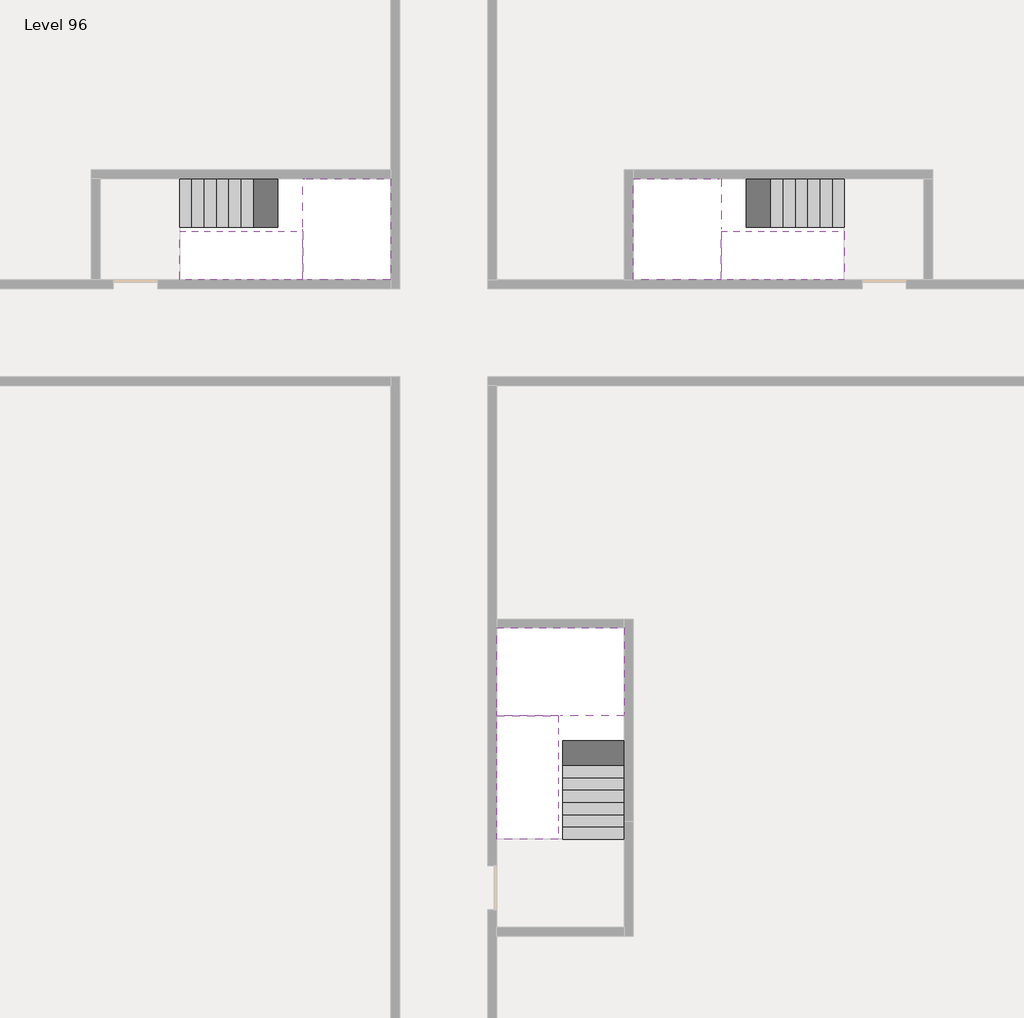
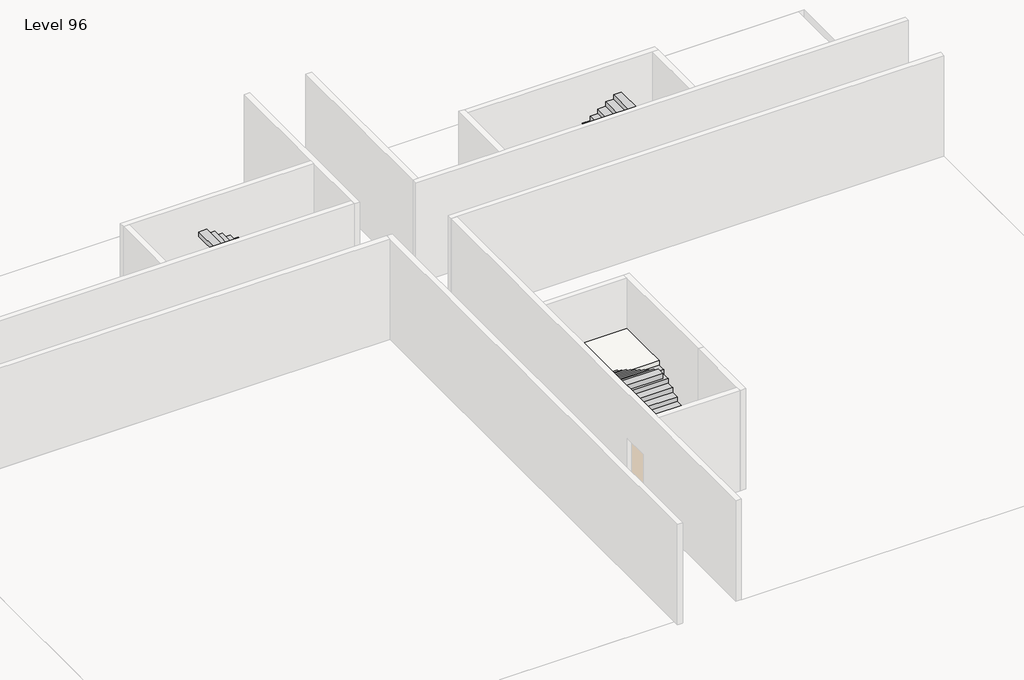
# One storey, part 2 of 2: 6 stair flights, 3 slabs.
"""IFC4 building model written with IfcOpenShell, lengths in millimetres."""

from ifc_helpers import new_model, si_unit, origin, place, context, project, spatial, faceted_brep, element, save

model = new_model("IFC4")

# Units and contexts
model_context = context("Model", 3, world=origin())
ifc_project = project(units=[si_unit("LENGTHUNIT", "METRE", prefix="MILLI")], contexts=[model_context])

# Site, building, storey
site = spatial("IfcSite", under=ifc_project)
building = spatial("IfcBuilding", under=site)
storey = spatial("IfcBuildingStorey", under=building, Name="Level 96", Elevation=361000.0)

# Slabs
placement = place(None, origin())
element("IfcSlab", 1, at=placement, inside=storey, context=model_context, shape_type="Brep", body=[
    faceted_brep([(26890.1058784, -40418.09644, 362900.0), (28290.1058784, -40418.09644, 362900.0), (28290.1058784, -40338.7100038, 362900.0), (28290.1058784, -38418.09644, 362900.0), (25390.1058784, -38418.09644, 362900.0), (25390.1058784, -40217.4828763, 362900.0), (25390.1058784, -40418.09644, 362900.0), (26790.1058784, -40418.09644, 362900.0), (26890.1058784, -40418.09644, 362600.0), (26890.1058784, -40418.09644, 362551.0278478), (28290.1058784, -40418.09644, 362551.0278478), (28290.1058784, -40418.09644, 362727.2727273), (28290.1058784, -40338.7100038, 362600.0), (28290.1058784, -38418.09644, 362600.0), (25390.1058784, -38418.09644, 362600.0), (25390.1058784, -40217.4828763, 362600.0), (25390.1058784, -40418.09644, 362723.7551205), (26790.1058784, -40418.09644, 362723.7551205), (26790.1058784, -40418.09644, 362600.0), (26790.1058784, -40217.4828763, 362600.0), (26890.1058784, -40338.7100038, 362600.0)], [[[0, 1, 2, 3, 4, 5, 6, 7]], [[1, 0, 8, 9, 10, 11]], [[1, 11, 10, 12, 13, 3, 2]], [[4, 3, 13, 14]], [[4, 14, 15, 16, 6, 5]], [[7, 6, 16, 17]], [[0, 7, 17, 18, 8]], [[18, 19, 15, 14, 13, 12, 20, 8]], [[19, 18, 17]], [[20, 12, 10, 9]], [[8, 20, 9]], [[15, 19, 17, 16]]]),
])
element("IfcSlab", 2, at=placement, inside=storey, context=model_context, shape_type="Brep", body=[
    faceted_brep([(20990.1058784, -28218.09644, 362900.0), (20990.1058784, -29318.09644, 362900.0), (20990.1058784, -29418.09644, 362900.0), (20990.1058784, -30518.09644, 362900.0), (21190.7194421, -30518.09644, 362900.0), (22990.1058784, -30518.09644, 362900.0), (22990.1058784, -28218.09644, 362900.0), (21069.4923146, -28218.09644, 362900.0), (20990.1058784, -28218.09644, 362727.2727273), (20990.1058784, -28218.09644, 362551.0278478), (20990.1058784, -29318.09644, 362551.0278478), (20990.1058784, -29318.09644, 362600.0), (20990.1058784, -29418.09644, 362600.0), (20990.1058784, -29418.09644, 362723.7551205), (20990.1058784, -30518.09644, 362723.7551205), (21190.7194421, -30518.09644, 362600.0), (22990.1058784, -30518.09644, 362600.0), (22990.1058784, -28218.09644, 362600.0), (21069.4923146, -28218.09644, 362600.0), (21190.7194421, -29418.09644, 362600.0), (21069.4923146, -29318.09644, 362600.0)], [[[0, 1, 2, 3, 4, 5, 6, 7]], [[1, 0, 8, 9, 10, 11]], [[2, 1, 11, 12, 13]], [[3, 2, 13, 14]], [[3, 14, 15, 16, 5, 4]], [[6, 5, 16, 17]], [[9, 8, 0, 7, 6, 17, 18]], [[19, 12, 11, 20, 18, 17, 16, 15]], [[12, 19, 13]], [[18, 20, 10, 9]], [[20, 11, 10]], [[19, 15, 14, 13]]]),
])
element("IfcSlab", 3, at=placement, inside=storey, context=model_context, shape_type="Brep", body=[
    faceted_brep([(30490.1058784, -29318.09644, 362900.0), (30490.1058784, -28218.09644, 362900.0), (30410.7194421, -28218.09644, 362900.0), (28490.1058784, -28218.09644, 362900.0), (28490.1058784, -30518.09644, 362900.0), (30289.4923146, -30518.09644, 362900.0), (30490.1058784, -30518.09644, 362900.0), (30490.1058784, -29418.09644, 362900.0), (30490.1058784, -29318.09644, 362600.0), (30490.1058784, -29318.09644, 362551.0278478), (30490.1058784, -28218.09644, 362551.0278478), (30490.1058784, -28218.09644, 362727.2727273), (30490.1058784, -29418.09644, 362723.7551205), (30490.1058784, -29418.09644, 362600.0), (30490.1058784, -30518.09644, 362723.7551205), (28490.1058784, -30518.09644, 362600.0), (30289.4923146, -30518.09644, 362600.0), (28490.1058784, -28218.09644, 362600.0), (30410.7194421, -28218.09644, 362600.0), (30289.4923146, -29418.09644, 362600.0), (30410.7194421, -29318.09644, 362600.0)], [[[0, 1, 2, 3, 4, 5, 6, 7]], [[1, 0, 8, 9, 10, 11]], [[0, 7, 12, 13, 8]], [[7, 6, 14, 12]], [[4, 15, 16, 14, 6, 5]], [[4, 3, 17, 15]], [[1, 11, 10, 18, 17, 3, 2]], [[13, 19, 16, 15, 17, 18, 20, 8]], [[20, 18, 10, 9]], [[8, 20, 9]], [[16, 19, 12, 14]], [[19, 13, 12]]]),
])

# Stair flights
element("IfcStairFlight", 4, at=placement, inside=storey, context=model_context, shape_type="Brep", body=[
    faceted_brep([(26890.1058784, -42938.09644, 361172.7272727), (26890.1058784, -43218.09644, 361172.7272727), (28290.1058784, -43218.09644, 361172.7272727), (28290.1058784, -42938.09644, 361172.7272727), (26890.1058784, -42938.09644, 361000.0), (26890.1058784, -43218.09644, 361000.0), (28290.1058784, -43218.09644, 361000.0), (28290.1058784, -42938.09644, 361000.0), (26890.1058784, -42658.09644, 361345.4545455), (26890.1058784, -42938.09644, 361345.4545455), (28290.1058784, -42938.09644, 361345.4545455), (28290.1058784, -42658.09644, 361345.4545455), (26890.1058784, -42658.09644, 361169.209666), (26890.1058784, -42932.3942143, 361000.0), (28290.1058784, -42932.3942143, 361000.0), (28290.1058784, -42658.09644, 361169.209666), (26890.1058784, -42378.09644, 361518.1818182), (26890.1058784, -42658.09644, 361518.1818182), (28290.1058784, -42658.09644, 361518.1818182), (28290.1058784, -42378.09644, 361518.1818182), (26890.1058784, -42378.09644, 361341.9369387), (28290.1058784, -42378.09644, 361341.9369387), (26890.1058784, -42098.09644, 361690.9090909), (26890.1058784, -42378.09644, 361690.9090909), (28290.1058784, -42378.09644, 361690.9090909), (28290.1058784, -42098.09644, 361690.9090909), (26890.1058784, -42098.09644, 361514.6642114), (28290.1058784, -42098.09644, 361514.6642114), (26890.1058784, -41818.09644, 361863.6363636), (26890.1058784, -42098.09644, 361863.6363636), (28290.1058784, -42098.09644, 361863.6363636), (28290.1058784, -41818.09644, 361863.6363636), (26890.1058784, -41818.09644, 361687.3914841), (28290.1058784, -41818.09644, 361687.3914841), (26890.1058784, -41538.09644, 362036.3636364), (26890.1058784, -41818.09644, 362036.3636364), (28290.1058784, -41818.09644, 362036.3636364), (28290.1058784, -41538.09644, 362036.3636364), (26890.1058784, -41538.09644, 361860.1187569), (28290.1058784, -41538.09644, 361860.1187569), (26890.1058784, -41258.09644, 362209.0909091), (26890.1058784, -41538.09644, 362209.0909091), (28290.1058784, -41538.09644, 362209.0909091), (28290.1058784, -41258.09644, 362209.0909091), (26890.1058784, -41258.09644, 362032.8460296), (28290.1058784, -41258.09644, 362032.8460296), (26890.1058784, -40978.09644, 362381.8181818), (26890.1058784, -41258.09644, 362381.8181818), (28290.1058784, -41258.09644, 362381.8181818), (28290.1058784, -40978.09644, 362381.8181818), (26890.1058784, -40978.09644, 362205.5733023), (28290.1058784, -40978.09644, 362205.5733023), (26890.1058784, -40698.09644, 362554.5454545), (26890.1058784, -40978.09644, 362554.5454545), (28290.1058784, -40978.09644, 362554.5454545), (28290.1058784, -40698.09644, 362554.5454545), (26890.1058784, -40698.09644, 362378.3005751), (28290.1058784, -40698.09644, 362378.3005751), (26890.1058784, -40418.09644, 362727.2727273), (26890.1058784, -40698.09644, 362727.2727273), (28290.1058784, -40698.09644, 362727.2727273), (28290.1058784, -40418.09644, 362727.2727273), (26890.1058784, -40418.09644, 362600.0), (26890.1058784, -40418.09644, 362551.0278478), (28290.1058784, -40418.09644, 362551.0278478)], [[[0, 1, 2, 3]], [[1, 0, 4, 5]], [[2, 1, 5, 6]], [[3, 2, 6, 7]], [[8, 9, 10, 11]], [[4, 0, 9, 8, 12, 13]], [[0, 3, 10, 9]], [[3, 7, 14, 15, 11, 10]], [[16, 17, 18, 19]], [[17, 16, 20, 12, 8]], [[8, 11, 18, 17]], [[19, 18, 11, 15, 21]], [[22, 23, 24, 25]], [[23, 22, 26, 20, 16]], [[16, 19, 24, 23]], [[25, 24, 19, 21, 27]], [[28, 29, 30, 31]], [[29, 28, 32, 26, 22]], [[22, 25, 30, 29]], [[31, 30, 25, 27, 33]], [[34, 35, 36, 37]], [[35, 34, 38, 32, 28]], [[28, 31, 36, 35]], [[37, 36, 31, 33, 39]], [[40, 41, 42, 43]], [[41, 40, 44, 38, 34]], [[34, 37, 42, 41]], [[43, 42, 37, 39, 45]], [[46, 47, 48, 49]], [[47, 46, 50, 44, 40]], [[40, 43, 48, 47]], [[49, 48, 43, 45, 51]], [[52, 53, 54, 55]], [[53, 52, 56, 50, 46]], [[46, 49, 54, 53]], [[55, 54, 49, 51, 57]], [[58, 59, 60, 61]], [[59, 58, 62, 63, 56, 52]], [[52, 55, 60, 59]], [[61, 60, 55, 57, 64]], [[58, 61, 64, 63, 62]], [[5, 4, 13, 14, 7, 6]], [[14, 13, 12, 20, 26, 32, 38, 44, 50, 56, 63, 64, 57, 51, 45, 39, 33, 27, 21, 15]]]),
])
element("IfcStairFlight", 5, at=placement, inside=storey, context=model_context, shape_type="Brep", body=[
    faceted_brep([(26790.1058784, -40698.09644, 363072.7272727), (26790.1058784, -40418.09644, 363072.7272727), (25390.1058784, -40418.09644, 363072.7272727), (25390.1058784, -40698.09644, 363072.7272727), (26790.1058784, -40698.09644, 362896.4823932), (26790.1058784, -40418.09644, 362723.7551205), (25390.1058784, -40418.09644, 362723.7551205), (25390.1058784, -40418.09644, 362900.0), (25390.1058784, -40698.09644, 362896.4823932), (26790.1058784, -40978.09644, 363245.4545455), (26790.1058784, -40698.09644, 363245.4545455), (25390.1058784, -40698.09644, 363245.4545455), (25390.1058784, -40978.09644, 363245.4545455), (26790.1058784, -40978.09644, 363069.209666), (25390.1058784, -40978.09644, 363069.209666), (26790.1058784, -41258.09644, 363418.1818182), (26790.1058784, -40978.09644, 363418.1818182), (25390.1058784, -40978.09644, 363418.1818182), (25390.1058784, -41258.09644, 363418.1818182), (26790.1058784, -41258.09644, 363241.9369387), (25390.1058784, -41258.09644, 363241.9369387), (26790.1058784, -41538.09644, 363590.9090909), (26790.1058784, -41258.09644, 363590.9090909), (25390.1058784, -41258.09644, 363590.9090909), (25390.1058784, -41538.09644, 363590.9090909), (26790.1058784, -41538.09644, 363414.6642114), (25390.1058784, -41538.09644, 363414.6642114), (26790.1058784, -41818.09644, 363763.6363636), (26790.1058784, -41538.09644, 363763.6363636), (25390.1058784, -41538.09644, 363763.6363636), (25390.1058784, -41818.09644, 363763.6363636), (26790.1058784, -41818.09644, 363587.3914841), (25390.1058784, -41818.09644, 363587.3914841), (26790.1058784, -42098.09644, 363936.3636364), (26790.1058784, -41818.09644, 363936.3636364), (25390.1058784, -41818.09644, 363936.3636364), (25390.1058784, -42098.09644, 363936.3636364), (26790.1058784, -42098.09644, 363760.1187569), (25390.1058784, -42098.09644, 363760.1187569), (26790.1058784, -42378.09644, 364109.0909091), (26790.1058784, -42098.09644, 364109.0909091), (25390.1058784, -42098.09644, 364109.0909091), (25390.1058784, -42378.09644, 364109.0909091), (26790.1058784, -42378.09644, 363932.8460296), (25390.1058784, -42378.09644, 363932.8460296), (26790.1058784, -42658.09644, 364281.8181818), (26790.1058784, -42378.09644, 364281.8181818), (25390.1058784, -42378.09644, 364281.8181818), (25390.1058784, -42658.09644, 364281.8181818), (26790.1058784, -42658.09644, 364105.5733023), (25390.1058784, -42658.09644, 364105.5733023), (26790.1058784, -42938.09644, 364454.5454545), (26790.1058784, -42658.09644, 364454.5454545), (25390.1058784, -42658.09644, 364454.5454545), (25390.1058784, -42938.09644, 364454.5454545), (26790.1058784, -42938.09644, 364278.3005751), (25390.1058784, -42938.09644, 364278.3005751), (26790.1058784, -43218.09644, 364627.2727273), (26790.1058784, -42938.09644, 364627.2727273), (25390.1058784, -42938.09644, 364627.2727273), (25390.1058784, -43218.09644, 364627.2727273), (26790.1058784, -43218.09644, 364451.0278478), (25390.1058784, -43218.09644, 364451.0278478)], [[[0, 1, 2, 3]], [[1, 0, 4, 5]], [[2, 1, 5, 6, 7]], [[3, 2, 7, 6, 8]], [[9, 10, 11, 12]], [[10, 9, 13, 4, 0]], [[11, 10, 0, 3]], [[12, 11, 3, 8, 14]], [[15, 16, 17, 18]], [[16, 15, 19, 13, 9]], [[17, 16, 9, 12]], [[18, 17, 12, 14, 20]], [[21, 22, 23, 24]], [[22, 21, 25, 19, 15]], [[23, 22, 15, 18]], [[24, 23, 18, 20, 26]], [[27, 28, 29, 30]], [[28, 27, 31, 25, 21]], [[29, 28, 21, 24]], [[30, 29, 24, 26, 32]], [[33, 34, 35, 36]], [[34, 33, 37, 31, 27]], [[35, 34, 27, 30]], [[36, 35, 30, 32, 38]], [[39, 40, 41, 42]], [[40, 39, 43, 37, 33]], [[41, 40, 33, 36]], [[42, 41, 36, 38, 44]], [[45, 46, 47, 48]], [[46, 45, 49, 43, 39]], [[47, 46, 39, 42]], [[48, 47, 42, 44, 50]], [[51, 52, 53, 54]], [[52, 51, 55, 49, 45]], [[53, 52, 45, 48]], [[54, 53, 48, 50, 56]], [[57, 58, 59, 60]], [[58, 57, 61, 55, 51]], [[59, 58, 51, 54]], [[60, 59, 54, 56, 62]], [[57, 60, 62, 61]], [[5, 4, 13, 19, 25, 31, 37, 43, 49, 55, 61, 62, 56, 50, 44, 38, 32, 26, 20, 14, 8, 6]]]),
])
element("IfcStairFlight", 6, at=placement, inside=storey, context=model_context, shape_type="Brep", body=[
    faceted_brep([(18470.1058784, -28218.09644, 361172.7272727), (18190.1058784, -28218.09644, 361172.7272727), (18190.1058784, -29318.09644, 361172.7272727), (18470.1058784, -29318.09644, 361172.7272727), (18470.1058784, -28218.09644, 361000.0), (18190.1058784, -28218.09644, 361000.0), (18190.1058784, -29318.09644, 361000.0), (18470.1058784, -29318.09644, 361000.0), (18750.1058784, -28218.09644, 361345.4545455), (18470.1058784, -28218.09644, 361345.4545455), (18470.1058784, -29318.09644, 361345.4545455), (18750.1058784, -29318.09644, 361345.4545455), (18750.1058784, -28218.09644, 361169.209666), (18475.8081041, -28218.09644, 361000.0), (18475.8081041, -29318.09644, 361000.0), (18750.1058784, -29318.09644, 361169.209666), (19030.1058784, -28218.09644, 361518.1818182), (18750.1058784, -28218.09644, 361518.1818182), (18750.1058784, -29318.09644, 361518.1818182), (19030.1058784, -29318.09644, 361518.1818182), (19030.1058784, -28218.09644, 361341.9369387), (19030.1058784, -29318.09644, 361341.9369387), (19310.1058784, -28218.09644, 361690.9090909), (19030.1058784, -28218.09644, 361690.9090909), (19030.1058784, -29318.09644, 361690.9090909), (19310.1058784, -29318.09644, 361690.9090909), (19310.1058784, -28218.09644, 361514.6642114), (19310.1058784, -29318.09644, 361514.6642114), (19590.1058784, -28218.09644, 361863.6363636), (19310.1058784, -28218.09644, 361863.6363636), (19310.1058784, -29318.09644, 361863.6363636), (19590.1058784, -29318.09644, 361863.6363636), (19590.1058784, -28218.09644, 361687.3914841), (19590.1058784, -29318.09644, 361687.3914841), (19870.1058784, -28218.09644, 362036.3636364), (19590.1058784, -28218.09644, 362036.3636364), (19590.1058784, -29318.09644, 362036.3636364), (19870.1058784, -29318.09644, 362036.3636364), (19870.1058784, -28218.09644, 361860.1187569), (19870.1058784, -29318.09644, 361860.1187569), (20150.1058784, -28218.09644, 362209.0909091), (19870.1058784, -28218.09644, 362209.0909091), (19870.1058784, -29318.09644, 362209.0909091), (20150.1058784, -29318.09644, 362209.0909091), (20150.1058784, -28218.09644, 362032.8460296), (20150.1058784, -29318.09644, 362032.8460296), (20430.1058784, -28218.09644, 362381.8181818), (20150.1058784, -28218.09644, 362381.8181818), (20150.1058784, -29318.09644, 362381.8181818), (20430.1058784, -29318.09644, 362381.8181818), (20430.1058784, -28218.09644, 362205.5733023), (20430.1058784, -29318.09644, 362205.5733023), (20710.1058784, -28218.09644, 362554.5454545), (20430.1058784, -28218.09644, 362554.5454545), (20430.1058784, -29318.09644, 362554.5454545), (20710.1058784, -29318.09644, 362554.5454545), (20710.1058784, -28218.09644, 362378.3005751), (20710.1058784, -29318.09644, 362378.3005751), (20990.1058784, -28218.09644, 362727.2727273), (20710.1058784, -28218.09644, 362727.2727273), (20710.1058784, -29318.09644, 362727.2727273), (20990.1058784, -29318.09644, 362727.2727273), (20990.1058784, -28218.09644, 362551.0278478), (20990.1058784, -29318.09644, 362551.0278478), (20990.1058784, -29318.09644, 362600.0)], [[[0, 1, 2, 3]], [[1, 0, 4, 5]], [[2, 1, 5, 6]], [[3, 2, 6, 7]], [[8, 9, 10, 11]], [[4, 0, 9, 8, 12, 13]], [[0, 3, 10, 9]], [[3, 7, 14, 15, 11, 10]], [[16, 17, 18, 19]], [[17, 16, 20, 12, 8]], [[8, 11, 18, 17]], [[19, 18, 11, 15, 21]], [[22, 23, 24, 25]], [[23, 22, 26, 20, 16]], [[16, 19, 24, 23]], [[25, 24, 19, 21, 27]], [[28, 29, 30, 31]], [[29, 28, 32, 26, 22]], [[22, 25, 30, 29]], [[31, 30, 25, 27, 33]], [[34, 35, 36, 37]], [[35, 34, 38, 32, 28]], [[28, 31, 36, 35]], [[37, 36, 31, 33, 39]], [[40, 41, 42, 43]], [[41, 40, 44, 38, 34]], [[34, 37, 42, 41]], [[43, 42, 37, 39, 45]], [[46, 47, 48, 49]], [[47, 46, 50, 44, 40]], [[40, 43, 48, 47]], [[49, 48, 43, 45, 51]], [[52, 53, 54, 55]], [[53, 52, 56, 50, 46]], [[46, 49, 54, 53]], [[55, 54, 49, 51, 57]], [[58, 59, 60, 61]], [[59, 58, 62, 56, 52]], [[52, 55, 60, 59]], [[61, 60, 55, 57, 63, 64]], [[58, 61, 64, 63, 62]], [[5, 4, 13, 14, 7, 6]], [[14, 13, 12, 20, 26, 32, 38, 44, 50, 56, 62, 63, 57, 51, 45, 39, 33, 27, 21, 15]]]),
])
element("IfcStairFlight", 7, at=placement, inside=storey, context=model_context, shape_type="Brep", body=[
    faceted_brep([(20710.1058784, -30518.09644, 363072.7272727), (20990.1058784, -30518.09644, 363072.7272727), (20990.1058784, -29418.09644, 363072.7272727), (20710.1058784, -29418.09644, 363072.7272727), (20710.1058784, -30518.09644, 362896.4823932), (20990.1058784, -30518.09644, 362723.7551205), (20990.1058784, -30518.09644, 362900.0), (20990.1058784, -29418.09644, 362723.7551205), (20710.1058784, -29418.09644, 362896.4823932), (20430.1058784, -30518.09644, 363245.4545455), (20710.1058784, -30518.09644, 363245.4545455), (20710.1058784, -29418.09644, 363245.4545455), (20430.1058784, -29418.09644, 363245.4545455), (20430.1058784, -30518.09644, 363069.209666), (20430.1058784, -29418.09644, 363069.209666), (20150.1058784, -30518.09644, 363418.1818182), (20430.1058784, -30518.09644, 363418.1818182), (20430.1058784, -29418.09644, 363418.1818182), (20150.1058784, -29418.09644, 363418.1818182), (20150.1058784, -30518.09644, 363241.9369387), (20150.1058784, -29418.09644, 363241.9369387), (19870.1058784, -30518.09644, 363590.9090909), (20150.1058784, -30518.09644, 363590.9090909), (20150.1058784, -29418.09644, 363590.9090909), (19870.1058784, -29418.09644, 363590.9090909), (19870.1058784, -30518.09644, 363414.6642114), (19870.1058784, -29418.09644, 363414.6642114), (19590.1058784, -30518.09644, 363763.6363636), (19870.1058784, -30518.09644, 363763.6363636), (19870.1058784, -29418.09644, 363763.6363636), (19590.1058784, -29418.09644, 363763.6363636), (19590.1058784, -30518.09644, 363587.3914841), (19590.1058784, -29418.09644, 363587.3914841), (19310.1058784, -30518.09644, 363936.3636364), (19590.1058784, -30518.09644, 363936.3636364), (19590.1058784, -29418.09644, 363936.3636364), (19310.1058784, -29418.09644, 363936.3636364), (19310.1058784, -30518.09644, 363760.1187569), (19310.1058784, -29418.09644, 363760.1187569), (19030.1058784, -30518.09644, 364109.0909091), (19310.1058784, -30518.09644, 364109.0909091), (19310.1058784, -29418.09644, 364109.0909091), (19030.1058784, -29418.09644, 364109.0909091), (19030.1058784, -30518.09644, 363932.8460296), (19030.1058784, -29418.09644, 363932.8460296), (18750.1058784, -30518.09644, 364281.8181818), (19030.1058784, -30518.09644, 364281.8181818), (19030.1058784, -29418.09644, 364281.8181818), (18750.1058784, -29418.09644, 364281.8181818), (18750.1058784, -30518.09644, 364105.5733023), (18750.1058784, -29418.09644, 364105.5733023), (18470.1058784, -30518.09644, 364454.5454545), (18750.1058784, -30518.09644, 364454.5454545), (18750.1058784, -29418.09644, 364454.5454545), (18470.1058784, -29418.09644, 364454.5454545), (18470.1058784, -30518.09644, 364278.3005751), (18470.1058784, -29418.09644, 364278.3005751), (18190.1058784, -30518.09644, 364627.2727273), (18470.1058784, -30518.09644, 364627.2727273), (18470.1058784, -29418.09644, 364627.2727273), (18190.1058784, -29418.09644, 364627.2727273), (18190.1058784, -30518.09644, 364451.0278478), (18190.1058784, -29418.09644, 364451.0278478)], [[[0, 1, 2, 3]], [[1, 0, 4, 5, 6]], [[2, 1, 6, 5, 7]], [[3, 2, 7, 8]], [[9, 10, 11, 12]], [[10, 9, 13, 4, 0]], [[11, 10, 0, 3]], [[12, 11, 3, 8, 14]], [[15, 16, 17, 18]], [[16, 15, 19, 13, 9]], [[17, 16, 9, 12]], [[18, 17, 12, 14, 20]], [[21, 22, 23, 24]], [[22, 21, 25, 19, 15]], [[23, 22, 15, 18]], [[24, 23, 18, 20, 26]], [[27, 28, 29, 30]], [[28, 27, 31, 25, 21]], [[29, 28, 21, 24]], [[30, 29, 24, 26, 32]], [[33, 34, 35, 36]], [[34, 33, 37, 31, 27]], [[35, 34, 27, 30]], [[36, 35, 30, 32, 38]], [[39, 40, 41, 42]], [[40, 39, 43, 37, 33]], [[41, 40, 33, 36]], [[42, 41, 36, 38, 44]], [[45, 46, 47, 48]], [[46, 45, 49, 43, 39]], [[47, 46, 39, 42]], [[48, 47, 42, 44, 50]], [[51, 52, 53, 54]], [[52, 51, 55, 49, 45]], [[53, 52, 45, 48]], [[54, 53, 48, 50, 56]], [[57, 58, 59, 60]], [[58, 57, 61, 55, 51]], [[59, 58, 51, 54]], [[60, 59, 54, 56, 62]], [[57, 60, 62, 61]], [[5, 4, 13, 19, 25, 31, 37, 43, 49, 55, 61, 62, 56, 50, 44, 38, 32, 26, 20, 14, 8, 7]]]),
])
element("IfcStairFlight", 8, at=placement, inside=storey, context=model_context, shape_type="Brep", body=[
    faceted_brep([(33010.1058784, -29318.09644, 361172.7272727), (33290.1058784, -29318.09644, 361172.7272727), (33290.1058784, -28218.09644, 361172.7272727), (33010.1058784, -28218.09644, 361172.7272727), (33290.1058784, -28218.09644, 361000.0), (33010.1058784, -28218.09644, 361000.0), (33290.1058784, -29318.09644, 361000.0), (33010.1058784, -29318.09644, 361000.0), (32730.1058784, -29318.09644, 361345.4545455), (33010.1058784, -29318.09644, 361345.4545455), (33010.1058784, -28218.09644, 361345.4545455), (32730.1058784, -28218.09644, 361345.4545455), (33004.4036527, -28218.09644, 361000.0), (32730.1058784, -28218.09644, 361169.209666), (32730.1058784, -29318.09644, 361169.209666), (33004.4036527, -29318.09644, 361000.0), (32450.1058784, -29318.09644, 361518.1818182), (32730.1058784, -29318.09644, 361518.1818182), (32730.1058784, -28218.09644, 361518.1818182), (32450.1058784, -28218.09644, 361518.1818182), (32450.1058784, -28218.09644, 361341.9369387), (32450.1058784, -29318.09644, 361341.9369387), (32170.1058784, -29318.09644, 361690.9090909), (32450.1058784, -29318.09644, 361690.9090909), (32450.1058784, -28218.09644, 361690.9090909), (32170.1058784, -28218.09644, 361690.9090909), (32170.1058784, -28218.09644, 361514.6642114), (32170.1058784, -29318.09644, 361514.6642114), (31890.1058784, -29318.09644, 361863.6363636), (32170.1058784, -29318.09644, 361863.6363636), (32170.1058784, -28218.09644, 361863.6363636), (31890.1058784, -28218.09644, 361863.6363636), (31890.1058784, -28218.09644, 361687.3914841), (31890.1058784, -29318.09644, 361687.3914841), (31610.1058784, -29318.09644, 362036.3636364), (31890.1058784, -29318.09644, 362036.3636364), (31890.1058784, -28218.09644, 362036.3636364), (31610.1058784, -28218.09644, 362036.3636364), (31610.1058784, -28218.09644, 361860.1187569), (31610.1058784, -29318.09644, 361860.1187569), (31330.1058784, -29318.09644, 362209.0909091), (31610.1058784, -29318.09644, 362209.0909091), (31610.1058784, -28218.09644, 362209.0909091), (31330.1058784, -28218.09644, 362209.0909091), (31330.1058784, -28218.09644, 362032.8460296), (31330.1058784, -29318.09644, 362032.8460296), (31050.1058784, -29318.09644, 362381.8181818), (31330.1058784, -29318.09644, 362381.8181818), (31330.1058784, -28218.09644, 362381.8181818), (31050.1058784, -28218.09644, 362381.8181818), (31050.1058784, -28218.09644, 362205.5733023), (31050.1058784, -29318.09644, 362205.5733023), (30770.1058784, -29318.09644, 362554.5454545), (31050.1058784, -29318.09644, 362554.5454545), (31050.1058784, -28218.09644, 362554.5454545), (30770.1058784, -28218.09644, 362554.5454545), (30770.1058784, -28218.09644, 362378.3005751), (30770.1058784, -29318.09644, 362378.3005751), (30490.1058784, -29318.09644, 362727.2727273), (30770.1058784, -29318.09644, 362727.2727273), (30770.1058784, -28218.09644, 362727.2727273), (30490.1058784, -28218.09644, 362727.2727273), (30490.1058784, -28218.09644, 362551.0278478), (30490.1058784, -29318.09644, 362600.0), (30490.1058784, -29318.09644, 362551.0278478)], [[[0, 1, 2, 3]], [[3, 2, 4, 5]], [[2, 1, 6, 4]], [[1, 0, 7, 6]], [[8, 9, 10, 11]], [[3, 5, 12, 13, 11, 10]], [[0, 3, 10, 9]], [[7, 0, 9, 8, 14, 15]], [[16, 17, 18, 19]], [[19, 18, 11, 13, 20]], [[8, 11, 18, 17]], [[17, 16, 21, 14, 8]], [[22, 23, 24, 25]], [[25, 24, 19, 20, 26]], [[16, 19, 24, 23]], [[23, 22, 27, 21, 16]], [[28, 29, 30, 31]], [[31, 30, 25, 26, 32]], [[22, 25, 30, 29]], [[29, 28, 33, 27, 22]], [[34, 35, 36, 37]], [[37, 36, 31, 32, 38]], [[28, 31, 36, 35]], [[35, 34, 39, 33, 28]], [[40, 41, 42, 43]], [[43, 42, 37, 38, 44]], [[34, 37, 42, 41]], [[41, 40, 45, 39, 34]], [[46, 47, 48, 49]], [[49, 48, 43, 44, 50]], [[40, 43, 48, 47]], [[47, 46, 51, 45, 40]], [[52, 53, 54, 55]], [[55, 54, 49, 50, 56]], [[46, 49, 54, 53]], [[53, 52, 57, 51, 46]], [[58, 59, 60, 61]], [[61, 60, 55, 56, 62]], [[52, 55, 60, 59]], [[59, 58, 63, 64, 57, 52]], [[58, 61, 62, 64, 63]], [[6, 7, 15, 12, 5, 4]], [[12, 15, 14, 21, 27, 33, 39, 45, 51, 57, 64, 62, 56, 50, 44, 38, 32, 26, 20, 13]]]),
])
element("IfcStairFlight", 9, at=placement, inside=storey, context=model_context, shape_type="Brep", body=[
    faceted_brep([(30770.1058784, -29418.09644, 363072.7272727), (30490.1058784, -29418.09644, 363072.7272727), (30490.1058784, -30518.09644, 363072.7272727), (30770.1058784, -30518.09644, 363072.7272727), (30490.1058784, -30518.09644, 362900.0), (30490.1058784, -30518.09644, 362723.7551205), (30770.1058784, -30518.09644, 362896.4823932), (30490.1058784, -29418.09644, 362723.7551205), (30770.1058784, -29418.09644, 362896.4823932), (31050.1058784, -29418.09644, 363245.4545455), (30770.1058784, -29418.09644, 363245.4545455), (30770.1058784, -30518.09644, 363245.4545455), (31050.1058784, -30518.09644, 363245.4545455), (31050.1058784, -30518.09644, 363069.209666), (31050.1058784, -29418.09644, 363069.209666), (31330.1058784, -29418.09644, 363418.1818182), (31050.1058784, -29418.09644, 363418.1818182), (31050.1058784, -30518.09644, 363418.1818182), (31330.1058784, -30518.09644, 363418.1818182), (31330.1058784, -30518.09644, 363241.9369387), (31330.1058784, -29418.09644, 363241.9369387), (31610.1058784, -29418.09644, 363590.9090909), (31330.1058784, -29418.09644, 363590.9090909), (31330.1058784, -30518.09644, 363590.9090909), (31610.1058784, -30518.09644, 363590.9090909), (31610.1058784, -30518.09644, 363414.6642114), (31610.1058784, -29418.09644, 363414.6642114), (31890.1058784, -29418.09644, 363763.6363636), (31610.1058784, -29418.09644, 363763.6363636), (31610.1058784, -30518.09644, 363763.6363636), (31890.1058784, -30518.09644, 363763.6363636), (31890.1058784, -30518.09644, 363587.3914841), (31890.1058784, -29418.09644, 363587.3914841), (32170.1058784, -29418.09644, 363936.3636364), (31890.1058784, -29418.09644, 363936.3636364), (31890.1058784, -30518.09644, 363936.3636364), (32170.1058784, -30518.09644, 363936.3636364), (32170.1058784, -30518.09644, 363760.1187569), (32170.1058784, -29418.09644, 363760.1187569), (32450.1058784, -29418.09644, 364109.0909091), (32170.1058784, -29418.09644, 364109.0909091), (32170.1058784, -30518.09644, 364109.0909091), (32450.1058784, -30518.09644, 364109.0909091), (32450.1058784, -30518.09644, 363932.8460296), (32450.1058784, -29418.09644, 363932.8460296), (32730.1058784, -29418.09644, 364281.8181818), (32450.1058784, -29418.09644, 364281.8181818), (32450.1058784, -30518.09644, 364281.8181818), (32730.1058784, -30518.09644, 364281.8181818), (32730.1058784, -30518.09644, 364105.5733023), (32730.1058784, -29418.09644, 364105.5733023), (33010.1058784, -29418.09644, 364454.5454545), (32730.1058784, -29418.09644, 364454.5454545), (32730.1058784, -30518.09644, 364454.5454545), (33010.1058784, -30518.09644, 364454.5454545), (33010.1058784, -30518.09644, 364278.3005751), (33010.1058784, -29418.09644, 364278.3005751), (33290.1058784, -29418.09644, 364627.2727273), (33010.1058784, -29418.09644, 364627.2727273), (33010.1058784, -30518.09644, 364627.2727273), (33290.1058784, -30518.09644, 364627.2727273), (33290.1058784, -30518.09644, 364451.0278478), (33290.1058784, -29418.09644, 364451.0278478)], [[[0, 1, 2, 3]], [[3, 2, 4, 5, 6]], [[2, 1, 7, 5, 4]], [[1, 0, 8, 7]], [[9, 10, 11, 12]], [[12, 11, 3, 6, 13]], [[11, 10, 0, 3]], [[10, 9, 14, 8, 0]], [[15, 16, 17, 18]], [[18, 17, 12, 13, 19]], [[17, 16, 9, 12]], [[16, 15, 20, 14, 9]], [[21, 22, 23, 24]], [[24, 23, 18, 19, 25]], [[23, 22, 15, 18]], [[22, 21, 26, 20, 15]], [[27, 28, 29, 30]], [[30, 29, 24, 25, 31]], [[29, 28, 21, 24]], [[28, 27, 32, 26, 21]], [[33, 34, 35, 36]], [[36, 35, 30, 31, 37]], [[35, 34, 27, 30]], [[34, 33, 38, 32, 27]], [[39, 40, 41, 42]], [[42, 41, 36, 37, 43]], [[41, 40, 33, 36]], [[40, 39, 44, 38, 33]], [[45, 46, 47, 48]], [[48, 47, 42, 43, 49]], [[47, 46, 39, 42]], [[46, 45, 50, 44, 39]], [[51, 52, 53, 54]], [[54, 53, 48, 49, 55]], [[53, 52, 45, 48]], [[52, 51, 56, 50, 45]], [[57, 58, 59, 60]], [[60, 59, 54, 55, 61]], [[59, 58, 51, 54]], [[58, 57, 62, 56, 51]], [[57, 60, 61, 62]], [[7, 8, 14, 20, 26, 32, 38, 44, 50, 56, 62, 61, 55, 49, 43, 37, 31, 25, 19, 13, 6, 5]]]),
])

save(model, "model.ifc")
